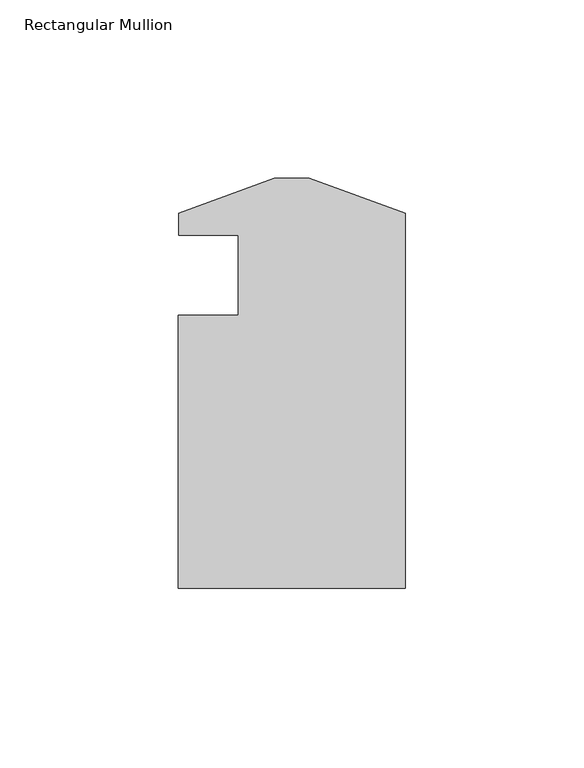
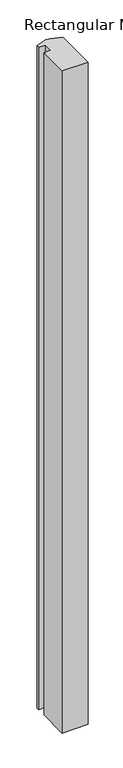
"""IFC4 building model written with IfcOpenShell, lengths in millimetres: member geometry, Rectangular Mullion."""

from ifc_helpers import new_model, si_unit, frame, origin, place, context, project, spatial, polyline, outline, extrude, source, transform, mapped, element, save


def rectangular_mullion_5ef5cf78(model_context):
    return source(origin(), model_context, "Body", "SweptSolid", [
        extrude(outline(polyline([(0.0, -114.5309812), (-63.5, -114.5309813), (-63.5, -38.0007813), (-46.8122, -38.0007813), (-46.8122, -15.5217813), (-63.4796279, -15.5217812), (-63.4499958, -9.4257813), (-36.6522, 0.3278187), (-26.7977958, 0.3278187), (0.0, -9.4257813), (0.0, -114.5309812)])), frame((0.0, 0.0, -1696.9637014), z_axis=(0.0, 0.0, 1.0), x_axis=(1.0, 0.0, 0.0)), (0.0, 0.0, 1.0), 1696.9637014),
    ])


if __name__ == "__main__":
    model = new_model("IFC4")
    model_context = context("Model", 3, world=origin())
    ifc_project = project(units=[si_unit("LENGTHUNIT", "METRE", prefix="MILLI")], contexts=[model_context])
    site = spatial("IfcSite", under=ifc_project)
    building = spatial("IfcBuilding", under=site)
    placement = place(None, origin())
    rectangular_mullion_shape = rectangular_mullion_5ef5cf78(model_context)
    element("IfcMember", 1, ObjectType="Rectangular Mullion", at=placement, inside=building, context=model_context, shape_type="MappedRepresentation", body=[
        mapped(rectangular_mullion_shape, transform((0.0, 0.0, 0.0), x_axis=(1.0, 0.0, 0.0), y_axis=(0.0, 1.0, 0.0), z_axis=(0.0, 0.0, 1.0))),
    ])
    save(model, "model.ifc")
